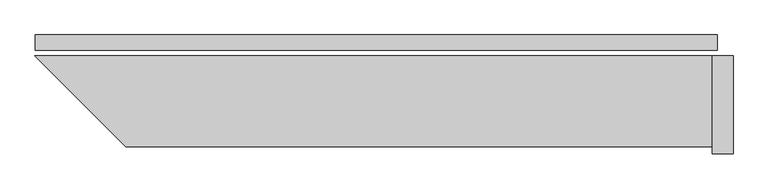
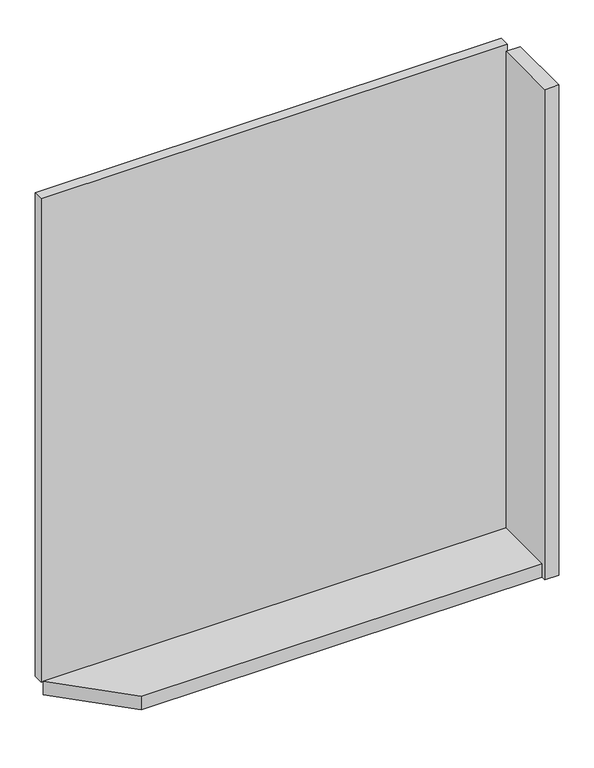
"""IFC4 building model written with IfcOpenShell, lengths in millimetres: plate geometry."""

from ifc_helpers import new_model, si_unit, frame, origin, origin_with_axes, place, context, project, spatial, polyline, outline, extrude, source, transform, mapped, element, save


def plate_6bf966a5(model_context):
    return source(origin(), model_context, "Body", "SweptSolid", [
        extrude(outline(polyline([(977.0, 0.0), (977.0, -44.0), (-977.0, -44.0), (-977.0, 0.0), (977.0, 0.0)])), origin_with_axes(), (0.0, 0.0, 1.0), 2142.0),
        extrude(outline(polyline([(962.0, -320.0), (-717.5735931, -320.0), (-977.5735931, -60.0), (962.0, -60.0), (962.0, -320.0)])), frame((0.0, 0.0, -45.0), z_axis=(0.0, 0.0, 1.0), x_axis=(1.0, 0.0, 0.0)), (0.0, 0.0, 1.0), 60.0),
        extrude(outline(polyline([(1022.0, -60.0), (1022.0, -340.0), (962.0, -340.0), (962.0, -60.0), (1022.0, -60.0)])), frame((0.0, 0.0, -45.0), z_axis=(0.0, 0.0, 1.0), x_axis=(1.0, 0.0, 0.0)), (0.0, 0.0, 1.0), 2172.0),
    ])


if __name__ == "__main__":
    model = new_model("IFC4")
    model_context = context("Model", 3, world=origin())
    ifc_project = project(units=[si_unit("LENGTHUNIT", "METRE", prefix="MILLI")], contexts=[model_context])
    site = spatial("IfcSite", under=ifc_project)
    building = spatial("IfcBuilding", under=site)
    placement = place(None, origin())
    plate_shape = plate_6bf966a5(model_context)
    element("IfcPlate", 1, at=placement, inside=building, context=model_context, shape_type="MappedRepresentation", body=[
        mapped(plate_shape, transform((0.0, 0.0, 0.0), x_axis=(1.0, 0.0, 0.0), y_axis=(0.0, 1.0, 0.0), z_axis=(0.0, 0.0, 1.0))),
    ])
    save(model, "model.ifc")
